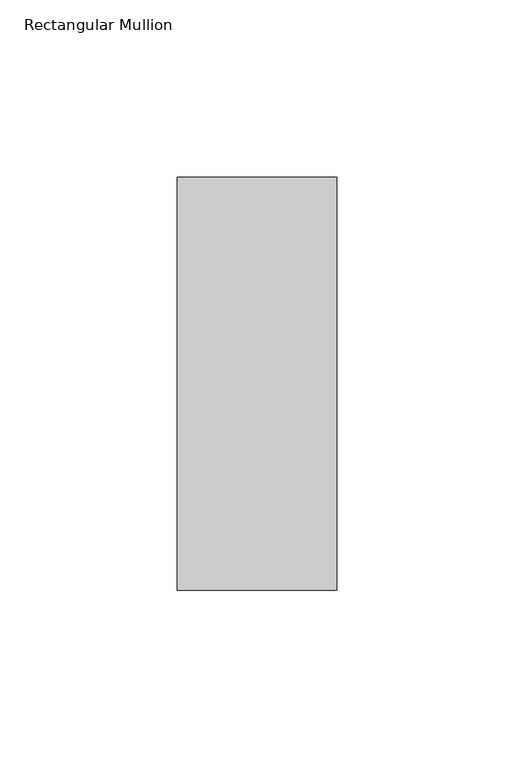
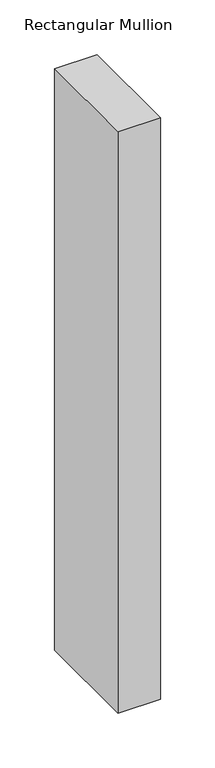
"""IFC4 building model written with IfcOpenShell, lengths in millimetres: member geometry, Rectangular Mullion."""

import ifcopenshell
import ifcopenshell.guid

model = None  # the IFC model being written
_history = None  # IfcOwnerHistory: only IFC2X3 demands one
_inside = {}  # id of a spatial element -> (the spatial element, [elements in it])
_under = {}  # id of a project, library or spatial element -> (it, [spatial elements below it])
_declared = {}  # id of a project -> (the project, [libraries it declares])
_typed = {}  # id of a type object -> (the type object, [elements of that type])
_made_of = {}  # id of a material, layer set ... -> (it, [elements and type objects made of it])


def new_model(schema):
    """Start an empty IFC model of exactly this schema.

    Asked for "IFC4X3", IfcOpenShell would pick the latest addendum, in which some entities
    have other attributes; the version numbers below select the first issue.
    IFC2X3 requires an IfcOwnerHistory on every rooted entity: one is made here for all.
    """
    global model, _history
    if schema == "IFC4X3":
        model = ifcopenshell.file(schema_version=(4, 3, 0, 0))
    else:
        model = ifcopenshell.file(schema=schema)
    _inside.clear()
    _under.clear()
    _declared.clear()
    _typed.clear()
    _made_of.clear()
    _history = None
    if model.schema == "IFC2X3":
        org = make("IfcOrganization", Name="unknown")
        user = make(
            "IfcPersonAndOrganization",
            ThePerson=make("IfcPerson", FamilyName="unknown"),
            TheOrganization=org,
        )
        app = make(
            "IfcApplication",
            ApplicationDeveloper=org,
            Version="unknown",
            ApplicationFullName="unknown",
            ApplicationIdentifier="unknown",
        )
        _history = make(
            "IfcOwnerHistory",
            OwningUser=user,
            OwningApplication=app,
            ChangeAction="ADDED",
            CreationDate=0,
        )
    return model


def make(cls, **values):
    """One entity of the class cls with the attributes given. An attribute that is None is left unset."""
    return model.create_entity(
        cls, **{name: value for name, value in values.items() if value is not None}
    )


def rooted(cls, **values):
    """An entity with a GlobalId (a new one), such as an element, a storey or a relation."""
    return make(cls, GlobalId=ifcopenshell.guid.new(), OwnerHistory=_history, **values)


def si_unit(unit_type, name, prefix=None):
    """IfcSIUnit, for example si_unit("LENGTHUNIT", "METRE", prefix="MILLI")."""
    return make("IfcSIUnit", UnitType=unit_type, Prefix=prefix, Name=name)


def assignment(units):
    """IfcUnitAssignment: the units of a project."""
    return None if units is None else make("IfcUnitAssignment", Units=units)


def point(xyz):
    """IfcCartesianPoint."""
    return None if xyz is None else make("IfcCartesianPoint", Coordinates=xyz)


def direction(xyz):
    """IfcDirection."""
    return None if xyz is None else make("IfcDirection", DirectionRatios=xyz)


def frame(location, z_axis=None, x_axis=None):
    """IfcAxis2Placement3D, a coordinate frame: its origin and axes. An axis left out is left unset."""
    return make(
        "IfcAxis2Placement3D",
        Location=point(location),
        Axis=direction(z_axis),
        RefDirection=direction(x_axis),
    )


def origin():
    """The frame at (0, 0, 0) with its axes left unset."""
    return frame((0.0, 0.0, 0.0))


def place(relative_to, where):
    """IfcLocalPlacement: puts the frame where relative to a parent placement (None: the world)."""
    return make(
        "IfcLocalPlacement", PlacementRelTo=relative_to, RelativePlacement=where
    )


def context(
    kind, dimensions, precision=None, world=None, true_north=None, identifier=None
):
    """IfcGeometricRepresentationContext, for example the 3D "Model" context."""
    return make(
        "IfcGeometricRepresentationContext",
        ContextIdentifier=identifier,
        ContextType=kind,
        CoordinateSpaceDimension=dimensions,
        Precision=precision,
        WorldCoordinateSystem=world,
        TrueNorth=true_north,
    )


def project(units=None, contexts=None):
    """IfcProject with its units and contexts."""
    return rooted(
        "IfcProject",
        Name="project",
        RepresentationContexts=contexts,
        UnitsInContext=assignment(units),
    )


def spatial(cls, under=None, at=None, **own):
    """A site, building, storey or space (cls), placed at a placement, below another one or the project."""
    s = rooted(cls, ObjectPlacement=at, **own)
    if under is not None:
        _under.setdefault(under.id(), (under, []))[1].append(s)
    return s


def polyline(points):
    """IfcPolyline through the points."""
    return make("IfcPolyline", Points=[point(p) for p in points])


def outline(outer, holes=None, kind="AREA"):
    """IfcArbitraryClosedProfileDef: a profile drawn as a closed curve; with holes, ...WithVoids."""
    if holes is None:
        return make("IfcArbitraryClosedProfileDef", ProfileType=kind, OuterCurve=outer)
    return make(
        "IfcArbitraryProfileDefWithVoids",
        ProfileType=kind,
        OuterCurve=outer,
        InnerCurves=holes,
    )


def extrude(swept, where, along, depth):
    """IfcExtrudedAreaSolid: the profile swept, set in the frame where, extruded along a direction by depth."""
    return make(
        "IfcExtrudedAreaSolid",
        SweptArea=swept,
        Position=where,
        ExtrudedDirection=direction(along),
        Depth=depth,
    )


def shape(context_of_items, identifier, shape_type, items):
    """IfcShapeRepresentation: the items that make up one representation, for example the "Body"."""
    return make(
        "IfcShapeRepresentation",
        ContextOfItems=context_of_items,
        RepresentationIdentifier=identifier,
        RepresentationType=shape_type,
        Items=items,
    )


def source(mapping_origin, context_of_items, identifier, shape_type, items):
    """IfcRepresentationMap: a shape defined once, which mapped items show again and again."""
    return make(
        "IfcRepresentationMap",
        MappingOrigin=mapping_origin,
        MappedRepresentation=shape(context_of_items, identifier, shape_type, items),
    )


def transform(
    local_origin,
    x_axis=None,
    y_axis=None,
    z_axis=None,
    scale=None,
    scale2=None,
    scale3=None,
    uniform=True,
):
    """IfcCartesianTransformationOperator3D, or its non-uniform kind. x_axis, y_axis, z_axis: its Axis1, 2, 3."""
    if uniform:
        return make(
            "IfcCartesianTransformationOperator3D",
            Axis1=direction(x_axis),
            Axis2=direction(y_axis),
            LocalOrigin=point(local_origin),
            Scale=scale,
            Axis3=direction(z_axis),
        )
    return make(
        "IfcCartesianTransformationOperator3DnonUniform",
        Axis1=direction(x_axis),
        Axis2=direction(y_axis),
        LocalOrigin=point(local_origin),
        Scale=scale,
        Axis3=direction(z_axis),
        Scale2=scale2,
        Scale3=scale3,
    )


def mapped(mapping_source, mapping_target):
    """IfcMappedItem: shows the shape of a source again, moved by a transform."""
    return make(
        "IfcMappedItem", MappingSource=mapping_source, MappingTarget=mapping_target
    )


def made_of(thing, what):
    """Note that an element or type object is made of a material, layer set ...; save() writes the relation."""
    if what is not None:
        _made_of.setdefault(what.id(), (what, []))[1].append(thing)
    return thing


def element(
    cls,
    number,
    at=None,
    inside=None,
    cuts=None,
    type_object=None,
    material=None,
    context=None,
    identifier="Body",
    shape_type=None,
    held_by="IfcProductDefinitionShape",
    body=None,
    shapes=None,
    **own,
):
    """One element of the class cls, such as IfcWall. Its Tag is "e" and its number.

    at: its placement. inside: the storey or other place that contains it. cuts: it is an
    opening in that element (IfcRelVoidsElement). A single representation is given by context,
    identifier, shape_type and body (its items); several are given by shapes. held_by: the class
    of the entity that holds the representations. save() writes the other relations.
    """
    e = rooted(cls, Tag="e%d" % number, ObjectPlacement=at, **own)
    if body is not None:
        shapes = [shape(context, identifier, shape_type, body)]
    if shapes is not None:
        e.Representation = make(held_by, Representations=shapes)
    if inside is not None:
        _inside.setdefault(inside.id(), (inside, []))[1].append(e)
    if cuts is not None:
        rooted(
            "IfcRelVoidsElement", RelatingBuildingElement=cuts, RelatedOpeningElement=e
        )
    if type_object is not None:
        _typed.setdefault(type_object.id(), (type_object, []))[1].append(e)
    return made_of(e, material)


def aggregate(whole, parts):
    """IfcRelAggregates: a whole, such as a stair, and the parts it consists of."""
    return rooted("IfcRelAggregates", RelatingObject=whole, RelatedObjects=parts)


def save(model, path):
    """Write the relations noted so far, then the file.

    IfcRelAggregates (storeys below a building ...), IfcRelContainedInSpatialStructure (elements
    in a storey), IfcRelDefinesByType, IfcRelAssociatesMaterial and IfcRelDeclares: one each for
    every whole, place, type object, material and project.
    """
    for whole, parts in _under.values():
        aggregate(whole, parts)
    for where, things in _inside.values():
        rooted(
            "IfcRelContainedInSpatialStructure",
            RelatedElements=things,
            RelatingStructure=where,
        )
    for kind, things in _typed.values():
        rooted("IfcRelDefinesByType", RelatedObjects=things, RelatingType=kind)
    for what, things in _made_of.values():
        rooted("IfcRelAssociatesMaterial", RelatedObjects=things, RelatingMaterial=what)
    for by, libraries in _declared.values():
        rooted("IfcRelDeclares", RelatingContext=by, RelatedDefinitions=libraries)
    model.write(path)


def rectangular_mullion_e6ebde13(model_context):
    return source(origin(), model_context, "Body", "SweptSolid", [
        extrude(outline(polyline([(22.5226562, 73.875), (22.5226562, -42.8257813), (-22.5226562, -42.8257813), (-22.5226562, 73.875), (22.5226562, 73.875)])), frame((0.0, 0.0, -650.478125), z_axis=(0.0, 0.0, 1.0), x_axis=(1.0, 0.0, 0.0)), (0.0, 0.0, 1.0), 650.478125),
    ])


if __name__ == "__main__":
    model = new_model("IFC4")
    model_context = context("Model", 3, world=origin())
    ifc_project = project(units=[si_unit("LENGTHUNIT", "METRE", prefix="MILLI")], contexts=[model_context])
    site = spatial("IfcSite", under=ifc_project)
    building = spatial("IfcBuilding", under=site)
    placement = place(None, origin())
    rectangular_mullion_shape = rectangular_mullion_e6ebde13(model_context)
    element("IfcMember", 1, ObjectType="Rectangular Mullion", at=placement, inside=building, context=model_context, shape_type="MappedRepresentation", body=[
        mapped(rectangular_mullion_shape, transform((0.0, 0.0, 0.0), x_axis=(1.0, 0.0, 0.0), y_axis=(0.0, 1.0, 0.0), z_axis=(0.0, 0.0, 1.0))),
    ])
    save(model, "model.ifc")
